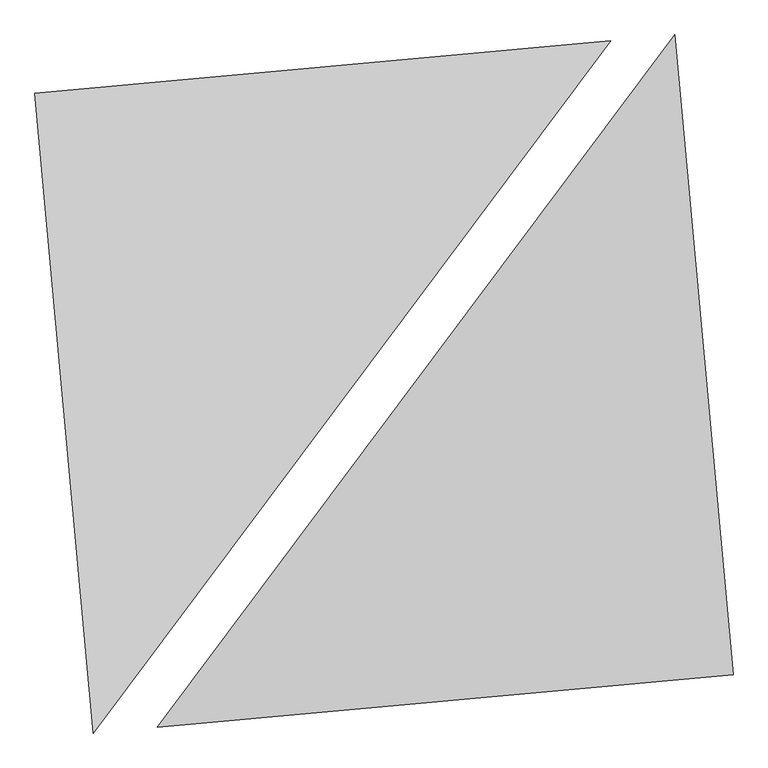
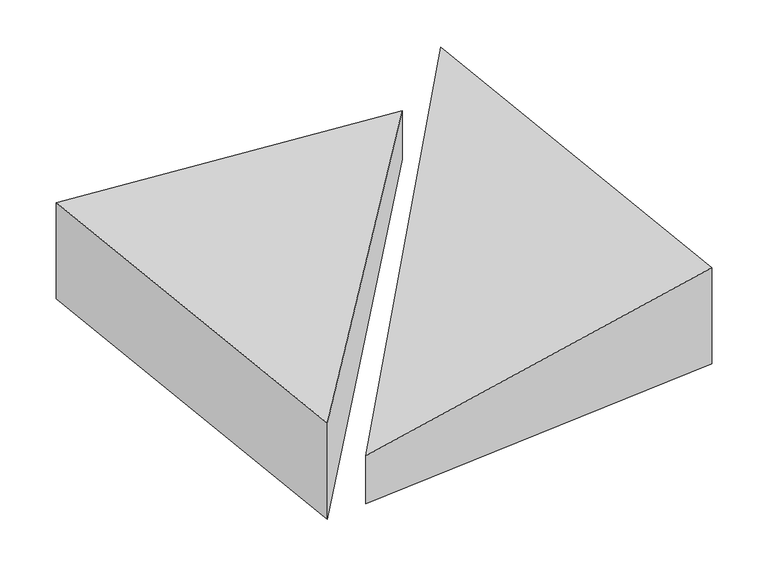
"""IFC4 building model written with IfcOpenShell, lengths in millimetres: proxy geometry."""

from ifc_helpers import new_model, si_unit, origin, place, context, project, spatial, faceted_brep, source, transform, mapped, element, save


def generic_models_38c85599(model_context):
    return source(origin(), model_context, "Body", "Brep", [
        faceted_brep([(1412.3576383, 2136.6436066, 0.0), (-2172.857905, 1810.7149209, 0.0), (-2172.857905, 1810.7149209, 1000.0), (1412.3576383, 2136.6436066, 500.0), (-1810.7149209, -2172.857905, 0.0), (-1810.7149209, -2172.857905, 1000.0)], [[[0, 1, 2, 3]], [[1, 4, 5, 2]], [[4, 0, 3, 5]], [[3, 2, 5]], [[0, 4, 1]]]),
        faceted_brep([(2172.857905, -1810.7149209, 0.0), (1810.7149209, 2172.857905, 0.0), (1810.7149209, 2172.857905, 1000.0), (2172.857905, -1810.7149209, 1000.0), (-1412.3576383, -2136.6436066, 0.0), (-1412.3576383, -2136.6436066, 500.0)], [[[0, 1, 2, 3]], [[1, 4, 5, 2]], [[4, 0, 3, 5]], [[2, 5, 3]], [[0, 4, 1]]]),
    ])


if __name__ == "__main__":
    model = new_model("IFC4")
    model_context = context("Model", 3, world=origin())
    ifc_project = project(units=[si_unit("LENGTHUNIT", "METRE", prefix="MILLI")], contexts=[model_context])
    site = spatial("IfcSite", under=ifc_project)
    building = spatial("IfcBuilding", under=site)
    placement = place(None, origin())
    generic_models_shape = generic_models_38c85599(model_context)
    element("IfcBuildingElementProxy", 1, Name="Generic Models", at=placement, inside=building, context=model_context, shape_type="MappedRepresentation", body=[
        mapped(generic_models_shape, transform((0.0, 0.0, 0.0), x_axis=(1.0, 0.0, 0.0), y_axis=(0.0, 1.0, 0.0), z_axis=(0.0, 0.0, 1.0))),
    ])
    save(model, "model.ifc")
